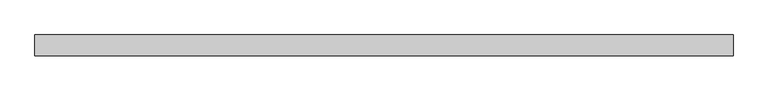
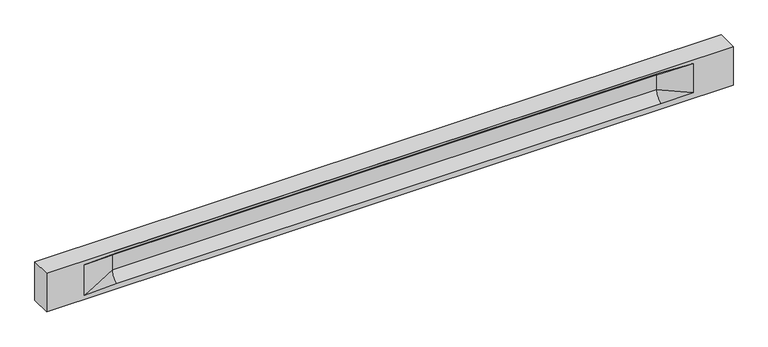
"""IFC4 building model written with IfcOpenShell, lengths in millimetres: beam geometry."""

from ifc_helpers import new_model, si_unit, frame, origin, place, context, project, spatial, polyline, circle_curve, source, transform, mapped, element, save
from ifc_brep_helpers import plane_surface, revolved_surface, spline_surface, advanced_brep


def beam_75fba4f9(model_context):
    return source(origin(), model_context, "Body", "AdvancedBrep", [
        advanced_brep(
        [(8442.0, -250.0, 500.0), (8442.0, -250.0, -500.0), (8442.0, 250.0, -500.0), (8442.0, 250.0, 500.0), (-8442.0, -250.0, 500.0), (-8442.0, -250.0, -500.0), (7467.0, -250.0, -362.0), (6667.0, -250.0, -360.0), (-6712.0, -250.0, -360.0), (-7512.0, -250.0, -400.0), (-7512.0, -250.0, 400.0), (-6712.0, -250.0, 435.0), (6667.0, -250.0, 435.0), (7467.0, -250.0, 400.0), (-8442.0, 250.0, -500.0), (-8442.0, 250.0, 500.0), (7467.0, 250.0, 400.0), (6667.0, 250.0, 435.0), (-6712.0, 250.0, 435.0), (-7512.0, 250.0, 400.0), (-7512.0, 250.0, -400.0), (-6712.0, 250.0, -360.0), (6667.0, 250.0, -360.0), (7467.0, 250.0, -362.0), (6667.0, 155.0, 405.0), (-6712.0, 155.0, 405.0), (6667.0, 60.0, 262.777021), (-6712.0, 60.0, 262.777021), (6667.0, 60.0, -120.0), (-6712.0, 60.0, -120.0), (6667.0, -60.0, -120.0), (-6712.0, -60.0, -120.0), (6667.0, -60.0, 262.777021), (-6712.0, -60.0, 262.777021), (6667.0, -155.0, 405.0), (-6712.0, -155.0, 405.0)],
        [
            (0, 1),
            (1, 2),
            (2, 3),
            (3, 0),
            (0, 4),
            (4, 5),
            (5, 1),
            (6, 7),
            (7, 8),
            (8, 9),
            (9, 10),
            (10, 11),
            (11, 12),
            (12, 13),
            (13, 6),
            (5, 14),
            (14, 2),
            (14, 15),
            (15, 3),
            (16, 17),
            (17, 18),
            (18, 19),
            (19, 20),
            (20, 21),
            (21, 22),
            (22, 23),
            (23, 16),
            (15, 4),
            (17, 24),
            (24, 25),
            (25, 18),
            (24, 26, circle_curve(frame((6667.0, 213.9598725, 262.777021), z_axis=(1.0, 0.0, 0.0), x_axis=(0.0, 1.0, 0.0)), 153.9598725)),
            (26, 27),
            (27, 25, circle_curve(frame((-6712.0, 213.9598725, 262.777021), z_axis=(-1.0, 0.0, 0.0), x_axis=(0.0, 1.0, 0.0)), 153.9598725)),
            (26, 28),
            (28, 29),
            (29, 27),
            (28, 22, circle_curve(frame((6667.0, 306.5789474, -120.0), z_axis=(1.0, 0.0, 0.0), x_axis=(0.0, 1.0, 0.0)), 246.5789474)),
            (21, 29, circle_curve(frame((-6712.0, 306.5789474, -120.0), z_axis=(-1.0, 0.0, 0.0), x_axis=(0.0, 1.0, 0.0)), 246.5789474)),
            (7, 30, circle_curve(frame((6667.0, -306.5789474, -120.0), z_axis=(1.0, 0.0, 0.0), x_axis=(0.0, 1.0, 0.0)), 246.5789474)),
            (30, 31),
            (31, 8, circle_curve(frame((-6712.0, -306.5789474, -120.0), z_axis=(-1.0, 0.0, 0.0), x_axis=(0.0, 1.0, 0.0)), 246.5789474)),
            (30, 32),
            (32, 33),
            (33, 31),
            (32, 34, circle_curve(frame((6667.0, -213.9598725, 262.777021), z_axis=(1.0, 0.0, 0.0), x_axis=(0.0, 1.0, 0.0)), 153.9598725)),
            (34, 35),
            (35, 33, circle_curve(frame((-6712.0, -213.9598725, 262.777021), z_axis=(-1.0, 0.0, 0.0), x_axis=(0.0, 1.0, 0.0)), 153.9598725)),
            (34, 12),
            (11, 35),
            (27, 19),
            (19, 25),
            (10, 35),
            (10, 33),
            (9, 31),
            (20, 29),
            (34, 13),
            (32, 13),
            (30, 6),
            (28, 23),
            (26, 16),
            (24, 16),
        ],
        [
            plane_surface(frame((8442.0, 0.0, 0.0), z_axis=(1.0, 0.0, 0.0), x_axis=(0.0, 0.0, 1.0))),
            plane_surface(frame((8442.0, -250.0, 500.0), z_axis=(0.0, -1.0, 0.0), x_axis=(-1.0, 0.0, 0.0))),
            plane_surface(frame((8442.0, -250.0, -500.0), z_axis=(0.0, 0.0, -1.0), x_axis=(-1.0, 0.0, 0.0))),
            plane_surface(frame((8442.0, 250.0, -500.0), z_axis=(0.0, 1.0, 0.0), x_axis=(-1.0, 0.0, 0.0))),
            plane_surface(frame((8442.0, 250.0, 500.0), z_axis=(0.0, 0.0, 1.0), x_axis=(-1.0, 0.0, 0.0))),
            plane_surface(frame((-6712.0, 250.0, 435.0), z_axis=(0.0, 0.30113136793710954, -0.9535826651341378), x_axis=(1.0, 0.0, 0.0))),
            revolved_surface(polyline([(6667.0, 367.919745, 262.777021), (-6712.0, 367.919745, 262.777021)]), (-6712.0, 213.9598725, 262.777021), (1.0, 0.0, 0.0)),
            plane_surface(frame((-6712.0, 60.0, 262.777021), z_axis=(0.0, 1.0, 0.0), x_axis=(1.0, 0.0, 0.0))),
            revolved_surface(polyline([(6667.0, 553.1578948, -120.0), (-6712.0, 553.1578948, -120.0)]), (-6712.0, 306.5789474, -120.0), (1.0, 0.0, 0.0)),
            revolved_surface(polyline([(6667.0, -60.0, -120.0), (-6712.0, -60.0, -120.0)]), (-6712.0, -306.5789474, -120.0), (1.0, 0.0, 0.0)),
            plane_surface(frame((-6712.0, -60.0, -120.0), z_axis=(0.0, -1.0, 0.0), x_axis=(1.0, 0.0, 0.0))),
            revolved_surface(polyline([(6667.0, -60.0, 262.777021), (-6712.0, -60.0, 262.777021)]), (-6712.0, -213.9598725, 262.777021), (1.0, 0.0, 0.0)),
            plane_surface(frame((-6712.0, -155.0, 405.0), z_axis=(0.0, -0.30113136793710693, -0.9535826651341387), x_axis=(1.0, 0.0, 0.0))),
            spline_surface(2, 1, [[(-7512.0, 250.0, 400.0), (-6712.0, 60.0, 262.777021)], [(-7512.0, 250.0, 400.0), (-6712.0, 59.99999995452379, 365.6168572954922)], [(-7512.0, 250.0, 400.0), (-6712.0, 155.0, 405.0)]], [3, 3], [2, 2], [0.0, 1.0], [0.0, 1.0], weights=[[1.0, 1.0], [0.8315515921160737, 0.8315515921160737], [1.0, 1.0]]),
            plane_surface(frame((-7512.0, 250.0, 400.0), z_axis=(0.04168298285568759, 0.30086965068766386, -0.9527538938442265), x_axis=(0.0, 0.9535826651341378, 0.30113136793710954))),
            plane_surface(frame((-7512.0, -250.0, 400.0), z_axis=(0.041682982855687625, -0.30086965068766125, -0.9527538938442274), x_axis=(0.0, 0.9535826651341387, -0.30113136793710693))),
            spline_surface(2, 1, [[(-7512.0, -250.0, 400.0), (-6712.0, -155.0, 405.0)], [(-7512.0, -250.0, 400.0), (-6712.0, -60.00000008030692, 365.6168572114734)], [(-7512.0, -250.0, 400.0), (-6712.0, -60.0, 262.777021)]], [3, 3], [2, 2], [0.0, 1.0], [0.0, 1.0], weights=[[1.0, 1.0], [0.8315515924557569, 0.8315515924557569], [1.0, 1.0]]),
            plane_surface(frame((-7512.0, -250.0, 0.0), z_axis=(0.2310724307958988, -0.9729365507195599, 0.0), x_axis=(0.0, 0.0, -1.0))),
            spline_surface(2, 1, [[(-7512.0, -250.0, -400.0), (-6712.0, -60.0, -120.0)], [(-7512.0, -250.0, -400.0), (-6712.0, -59.99999998020837, -315.20833333333337)], [(-7512.0, -250.0, -400.0), (-6712.0, -250.0, -360.0)]], [3, 3], [2, 2], [0.0, 1.0], [0.0, 1.0], weights=[[1.0, 1.0], [0.7840458244617614, 0.7840458244617614], [1.0, 1.0]]),
            spline_surface(2, 1, [[(-7512.0, 250.0, -400.0), (-6712.0, 250.0, -360.0)], [(-7512.0, 250.0, -400.0), (-6712.0, 60.00000002887427, -315.20833329480604)], [(-7512.0, 250.0, -400.0), (-6712.0, 60.0, -120.0)]], [3, 3], [2, 2], [0.0, 1.0], [0.0, 1.0], weights=[[1.0, 1.0], [0.7840458245391329, 0.7840458245391329], [1.0, 1.0]]),
            plane_surface(frame((-7512.0, 250.0, 0.0), z_axis=(0.23107243079589448, 0.9729365507195609, 0.0), x_axis=(0.0, 0.0, 1.0))),
            plane_surface(frame((-8442.0, 0.0, 0.0), z_axis=(-1.0, 0.0, 0.0), x_axis=(0.0, 0.0, 1.0))),
            plane_surface(frame((6667.0, -202.5, 420.0), z_axis=(-0.041682982855687396, -0.30086965068766125, -0.9527538938442274), x_axis=(0.0, 0.9535826651341387, -0.30113136793710693))),
            spline_surface(2, 1, [[(6667.0, -155.0, 405.0), (7467.0, -250.0, 400.0)], [(6667.0, -60.00000008030692, 365.6168572114734), (7467.0, -250.0, 400.0)], [(6667.0, -60.0, 262.777021), (7467.0, -250.0, 400.0)]], [3, 3], [2, 2], [0.0, 1.0], [0.0, 1.0], weights=[[1.0, 1.0], [0.8315515924557569, 0.8315515924557569], [1.0, 1.0]]),
            plane_surface(frame((6667.0, -60.0, 71.3885105), z_axis=(-0.23107243079589707, -0.9729365507195603, 0.0), x_axis=(0.0, 0.0, -1.0))),
            spline_surface(2, 1, [[(6667.0, -60.0, -120.0), (7467.0, -250.0, -362.0)], [(6667.0, -59.99999998020837, -315.20833333333337), (7467.0, -250.0, -362.0)], [(6667.0, -250.0, -360.0), (7467.0, -250.0, -362.0)]], [3, 3], [2, 2], [0.0, 1.0], [0.0, 1.0], weights=[[1.0, 1.0], [0.7840458244617614, 0.7840458244617614], [1.0, 1.0]]),
            spline_surface(2, 1, [[(6667.0, 250.0, -360.0), (7467.0, 250.0, -362.0)], [(6667.0, 60.00000002887427, -315.20833329480604), (7467.0, 250.0, -362.0)], [(6667.0, 60.0, -120.0), (7467.0, 250.0, -362.0)]], [3, 3], [2, 2], [0.0, 1.0], [0.0, 1.0], weights=[[1.0, 1.0], [0.7840458245391329, 0.7840458245391329], [1.0, 1.0]]),
            plane_surface(frame((6667.0, 60.0, 71.3885105), z_axis=(-0.23107243079589063, 0.9729365507195618, 0.0), x_axis=(0.0, 0.0, 1.0))),
            spline_surface(2, 1, [[(6667.0, 60.0, 262.777021), (7467.0, 250.0, 400.0)], [(6667.0, 59.99999995452379, 365.6168572954922), (7467.0, 250.0, 400.0)], [(6667.0, 155.0, 405.0), (7467.0, 250.0, 400.0)]], [3, 3], [2, 2], [0.0, 1.0], [0.0, 1.0], weights=[[1.0, 1.0], [0.8315515921160737, 0.8315515921160737], [1.0, 1.0]]),
            plane_surface(frame((6667.0, 202.5, 420.0), z_axis=(-0.04168298285568666, 0.30086965068766386, -0.9527538938442265), x_axis=(0.0, 0.9535826651341378, 0.30113136793710954))),
        ],
        [
            (0, [[1, 2, 3, 4]]),
            (1, [[-1, 5, 6, 7], [8, 9, 10, 11, 12, 13, 14, 15]]),
            (2, [[-2, -7, 16, 17]]),
            (3, [[-3, -17, 18, 19], [20, 21, 22, 23, 24, 25, 26, 27]]),
            (4, [[-5, -4, -19, 28]]),
            (5, [[-21, 29, 30, 31]]),
            (6, [[-30, 32, 33, 34]]),
            (7, [[-33, 35, 36, 37]]),
            (8, [[-36, 38, -25, 39]]),
            (9, [[-9, 40, 41, 42]]),
            (10, [[-41, 43, 44, 45]]),
            (11, [[-44, 46, 47, 48]]),
            (12, [[-47, 49, -13, 50]]),
            (13, [[51, 52, -34]]),
            (14, [[-52, -22, -31]]),
            (15, [[-12, 53, -50]]),
            (16, [[-53, 54, -48]]),
            (17, [[-54, -11, 55, -45]]),
            (18, [[-55, -10, -42]]),
            (19, [[-24, 56, -39]]),
            (20, [[-51, -37, -56, -23]]),
            (21, [[-28, -18, -16, -6]]),
            (22, [[-14, -49, 57]]),
            (23, [[-57, -46, 58]]),
            (24, [[-58, -43, 59, -15]]),
            (25, [[-59, -40, -8]]),
            (26, [[-26, -38, 60]]),
            (27, [[-60, -35, 61, -27]]),
            (28, [[-61, -32, 62]]),
            (29, [[-62, -29, -20]]),
        ],
    ),
    ])


if __name__ == "__main__":
    model = new_model("IFC4")
    model_context = context("Model", 3, world=origin())
    ifc_project = project(units=[si_unit("LENGTHUNIT", "METRE", prefix="MILLI")], contexts=[model_context])
    site = spatial("IfcSite", under=ifc_project)
    building = spatial("IfcBuilding", under=site)
    placement = place(None, origin())
    beam_shape = beam_75fba4f9(model_context)
    element("IfcBeam", 1, at=placement, inside=building, context=model_context, shape_type="MappedRepresentation", body=[
        mapped(beam_shape, transform((0.0, 0.0, 0.0), x_axis=(1.0, 0.0, 0.0), y_axis=(0.0, 1.0, 0.0), z_axis=(0.0, 0.0, 1.0))),
    ])
    save(model, "model.ifc")
